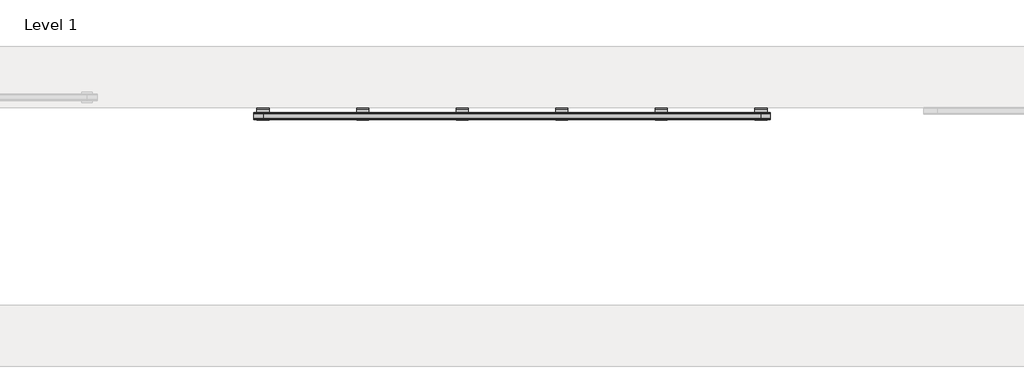
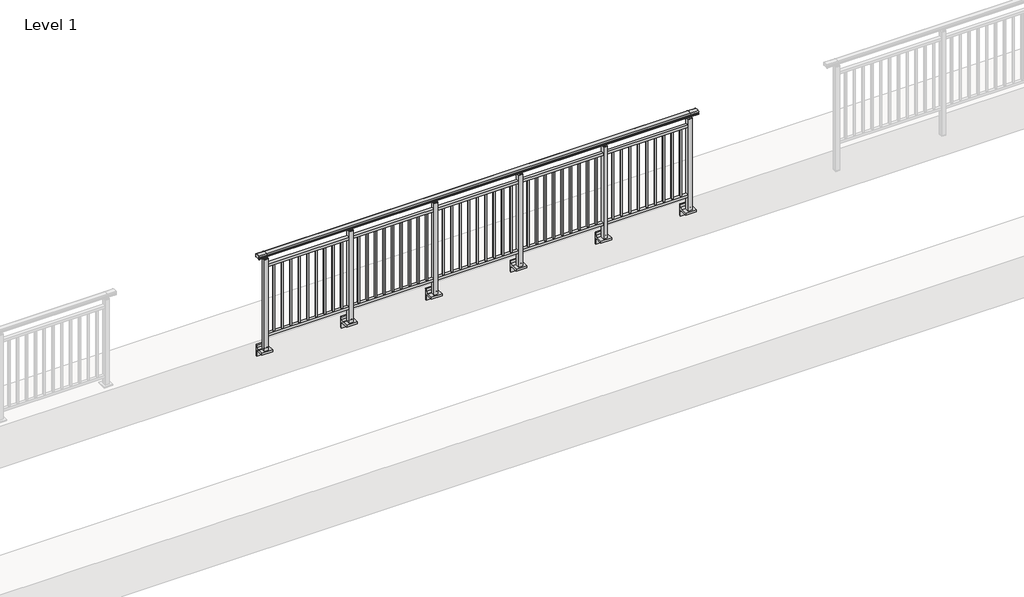
# One storey, part 11 of 64: 1 railing.
"""IFC4 building model written with IfcOpenShell, lengths in millimetres."""

from ifc_helpers import new_model, si_unit, point, frame, frame_2d, origin, place, context, project, spatial, polyline, circle_curve, trimmed, segment, composite_curve, outline, extrude, element, save
from ifc_brep_helpers import plane_surface, cylinder_surface, revolved_surface, advanced_brep

model = new_model("IFC4")

# Units and contexts
model_context = context("Model", 3, world=origin())
ifc_project = project(units=[si_unit("LENGTHUNIT", "METRE", prefix="MILLI")], contexts=[model_context])

# Site, building, storey
site = spatial("IfcSite", under=ifc_project)
building = spatial("IfcBuilding", under=site)
storey = spatial("IfcBuildingStorey", under=building, Name="Level 1", Elevation=0.0)

# Railing
placement = place(None, origin())
element("IfcRailing", 1, at=placement, inside=storey, context=model_context, shape_type="SolidModel", body=[
    advanced_brep(
    [(12910.0, 2342.8633756, 1095.6691182), (12910.0, 2347.6846828, 1081.1334092), (12910.0, 2346.7413744, 1069.2539035), (12910.0, 2348.6364177, 1061.4863007), (12910.0, 2346.9894799, 1060.384124), (12910.0, 2346.9894799, 1062.0), (12910.0, 2288.3798858, 1062.0), (12910.0, 2288.3798858, 1060.384124), (12910.0, 2286.732948, 1061.4863007), (12910.0, 2288.6279912, 1069.2539035), (12910.0, 2287.6846828, 1081.1334092), (12910.0, 2292.50599, 1095.6691182), (17890.0, 2342.8633756, 1095.6691182), (17890.0, 2292.50599, 1095.6691182), (17890.0, 2287.6846828, 1081.1334092), (17890.0, 2288.6279912, 1069.2539035), (17890.0, 2286.732948, 1061.4863007), (17890.0, 2288.3798858, 1060.384124), (17890.0, 2288.3798858, 1062.0), (17890.0, 2346.9894799, 1062.0), (17890.0, 2346.9894799, 1060.384124), (17890.0, 2348.6364177, 1061.4863007), (17890.0, 2346.7413744, 1069.2539035), (17890.0, 2347.6846828, 1081.1334092), (13000.0, 2342.8633756, 1095.6691182), (13000.0, 2347.6846828, 1081.1334092), (13000.0, 2346.7413744, 1069.2539035), (13000.0, 2348.6364177, 1061.4863007), (13000.0, 2346.9894799, 1060.384124), (13000.0, 2346.9894799, 1062.0), (13000.0, 2288.3798858, 1062.0), (13000.0, 2288.3798858, 1060.384124), (13000.0, 2286.732948, 1061.4863007), (13000.0, 2288.6279912, 1069.2539035), (13000.0, 2287.6846828, 1081.1334092), (13000.0, 2292.50599, 1095.6691182), (17800.0, 2342.8633756, 1095.6691182), (17800.0, 2347.6846828, 1081.1334092), (17800.0, 2346.7413744, 1069.2539035), (17800.0, 2348.6364177, 1061.4863007), (17800.0, 2346.9894799, 1060.384124), (17800.0, 2346.9894799, 1062.0), (17800.0, 2288.3798858, 1062.0), (17800.0, 2288.3798858, 1060.384124), (17800.0, 2286.732948, 1061.4863007), (17800.0, 2288.6279912, 1069.2539035), (17800.0, 2287.6846828, 1081.1334092), (17800.0, 2292.50599, 1095.6691182)],
    [
        (0, 1, circle_curve(frame((12910.0, 2339.6223845, 1086.526686), z_axis=(-1.0, 0.0, 0.0), x_axis=(0.0, -1.0, 0.0)), 9.6999015)),
        (1, 2, circle_curve(frame((12910.0, 2365.2252545, 1073.7633709), z_axis=(1.0, 0.0, 0.0), x_axis=(0.0, -1.0, 0.0)), 19.0260117)),
        (2, 3),
        (3, 4, circle_curve(frame((12910.0, 2347.7772073, 1060.9886194), z_axis=(-1.0, 0.0, 0.0), x_axis=(0.0, -1.0, 0.0)), 0.9929396)),
        (4, 5),
        (5, 6),
        (6, 7),
        (7, 8, circle_curve(frame((12910.0, 2287.5921584, 1060.9886194), z_axis=(-1.0, 0.0, 0.0), x_axis=(0.0, 1.0, 0.0)), 0.9929396)),
        (8, 9),
        (9, 10, circle_curve(frame((12910.0, 2270.1441111, 1073.7633709), z_axis=(1.0, 0.0, 0.0), x_axis=(0.0, 1.0, 0.0)), 19.0260117)),
        (10, 11, circle_curve(frame((12910.0, 2295.7469812, 1086.526686), z_axis=(-1.0, 0.0, 0.0), x_axis=(0.0, 1.0, 0.0)), 9.6999015)),
        (11, 0, circle_curve(frame((12910.0, 2317.6846828, 1024.6431628), z_axis=(-1.0, 0.0, 0.0), x_axis=(0.0, 1.0, 0.0)), 75.3568372)),
        (12, 13, circle_curve(frame((17890.0, 2317.6846828, 1024.6431628), z_axis=(1.0, 0.0, 0.0), x_axis=(0.0, 1.0, 0.0)), 75.3568372)),
        (13, 14, circle_curve(frame((17890.0, 2295.7469812, 1086.526686), z_axis=(1.0, 0.0, 0.0), x_axis=(0.0, 1.0, 0.0)), 9.6999015)),
        (14, 15, circle_curve(frame((17890.0, 2270.1441111, 1073.7633709), z_axis=(-1.0, 0.0, 0.0), x_axis=(0.0, 1.0, 0.0)), 19.0260117)),
        (15, 16),
        (16, 17, circle_curve(frame((17890.0, 2287.5921584, 1060.9886194), z_axis=(1.0, 0.0, 0.0), x_axis=(0.0, 1.0, 0.0)), 0.9929396)),
        (17, 18),
        (18, 19),
        (19, 20),
        (20, 21, circle_curve(frame((17890.0, 2347.7772073, 1060.9886194), z_axis=(1.0, 0.0, 0.0), x_axis=(0.0, -1.0, 0.0)), 0.9929396)),
        (21, 22),
        (22, 23, circle_curve(frame((17890.0, 2365.2252545, 1073.7633709), z_axis=(-1.0, 0.0, 0.0), x_axis=(0.0, -1.0, 0.0)), 19.0260117)),
        (23, 12, circle_curve(frame((17890.0, 2339.6223845, 1086.526686), z_axis=(1.0, 0.0, 0.0), x_axis=(0.0, -1.0, 0.0)), 9.6999015)),
        (0, 24),
        (24, 25, circle_curve(frame((13000.0, 2339.6223845, 1086.526686), z_axis=(-1.0, 0.0, 0.0), x_axis=(0.0, -1.0, 0.0)), 9.6999015)),
        (25, 1),
        (25, 26, circle_curve(frame((13000.0, 2365.2252545, 1073.7633709), z_axis=(1.0, 0.0, 0.0), x_axis=(0.0, -1.0, 0.0)), 19.0260117)),
        (26, 2),
        (26, 27),
        (27, 3),
        (27, 28, circle_curve(frame((13000.0, 2347.7772073, 1060.9886194), z_axis=(-1.0, 0.0, 0.0), x_axis=(0.0, -1.0, 0.0)), 0.9929396)),
        (28, 4),
        (28, 29),
        (29, 5),
        (29, 30),
        (30, 6),
        (30, 31),
        (31, 7),
        (31, 32, circle_curve(frame((13000.0, 2287.5921584, 1060.9886194), z_axis=(-1.0, 0.0, 0.0), x_axis=(0.0, 1.0, 0.0)), 0.9929396)),
        (32, 8),
        (32, 33),
        (33, 9),
        (33, 34, circle_curve(frame((13000.0, 2270.1441111, 1073.7633709), z_axis=(1.0, 0.0, 0.0), x_axis=(0.0, 1.0, 0.0)), 19.0260117)),
        (34, 10),
        (34, 35, circle_curve(frame((13000.0, 2295.7469812, 1086.526686), z_axis=(-1.0, 0.0, 0.0), x_axis=(0.0, 1.0, 0.0)), 9.6999015)),
        (35, 11),
        (35, 24, circle_curve(frame((13000.0, 2317.6846828, 1024.6431628), z_axis=(-1.0, 0.0, 0.0), x_axis=(0.0, 1.0, 0.0)), 75.3568372)),
        (24, 36),
        (36, 37, circle_curve(frame((17800.0, 2339.6223845, 1086.526686), z_axis=(-1.0, 0.0, 0.0), x_axis=(0.0, -1.0, 0.0)), 9.6999015)),
        (37, 25),
        (37, 38, circle_curve(frame((17800.0, 2365.2252545, 1073.7633709), z_axis=(1.0, 0.0, 0.0), x_axis=(0.0, -1.0, 0.0)), 19.0260117)),
        (38, 26),
        (38, 39),
        (39, 27),
        (39, 40, circle_curve(frame((17800.0, 2347.7772073, 1060.9886194), z_axis=(-1.0, 0.0, 0.0), x_axis=(0.0, -1.0, 0.0)), 0.9929396)),
        (40, 28),
        (40, 41),
        (41, 29),
        (41, 42),
        (42, 30),
        (42, 43),
        (43, 31),
        (43, 44, circle_curve(frame((17800.0, 2287.5921584, 1060.9886194), z_axis=(-1.0, 0.0, 0.0), x_axis=(0.0, 1.0, 0.0)), 0.9929396)),
        (44, 32),
        (44, 45),
        (45, 33),
        (45, 46, circle_curve(frame((17800.0, 2270.1441111, 1073.7633709), z_axis=(1.0, 0.0, 0.0), x_axis=(0.0, 1.0, 0.0)), 19.0260117)),
        (46, 34),
        (46, 47, circle_curve(frame((17800.0, 2295.7469812, 1086.526686), z_axis=(-1.0, 0.0, 0.0), x_axis=(0.0, 1.0, 0.0)), 9.6999015)),
        (47, 35),
        (47, 36, circle_curve(frame((17800.0, 2317.6846828, 1024.6431628), z_axis=(-1.0, 0.0, 0.0), x_axis=(0.0, 1.0, 0.0)), 75.3568372)),
        (36, 12),
        (23, 37),
        (22, 38),
        (21, 39),
        (20, 40),
        (19, 41),
        (18, 42),
        (17, 43),
        (16, 44),
        (15, 45),
        (14, 46),
        (13, 47),
    ],
    [
        plane_surface(frame((12910.0, 2317.6846828, 1100.0), z_axis=(-1.0, 0.0, 0.0), x_axis=(0.0, 1.0, 0.0))),
        plane_surface(frame((17890.0, 2317.6846828, 1100.0), z_axis=(1.0, 0.0, 0.0), x_axis=(0.0, 1.0, 0.0))),
        cylinder_surface(frame((12910.0, 2339.6223845, 1086.526686), z_axis=(-1.0, 0.0, 0.0), x_axis=(0.0, -1.0, 0.0)), 9.6999015),
        revolved_surface(polyline([(13000.0, 2346.1992428000003, 1073.7633709), (12910.0, 2346.1992428000003, 1073.7633709)]), (12910.0, 2365.2252545, 1073.7633709), (1.0, 0.0, 0.0)),
        plane_surface(frame((12910.0, 2346.7413744, 1069.2539035), z_axis=(0.0, 0.9715057689301543, 0.2370159086125439), x_axis=(1.0, 0.0, 0.0))),
        cylinder_surface(frame((12910.0, 2347.7772073, 1060.9886194), z_axis=(-1.0, 0.0, 0.0), x_axis=(0.0, -1.0, 0.0)), 0.9929396),
        plane_surface(frame((12910.0, 2346.9894799, 1060.384124), z_axis=(0.0, -1.0, 0.0), x_axis=(1.0, 0.0, 0.0))),
        plane_surface(frame((12910.0, 2346.9894799, 1062.0), z_axis=(0.0, 0.0, -1.0), x_axis=(1.0, 0.0, 0.0))),
        plane_surface(frame((12910.0, 2288.3798858, 1062.0), z_axis=(0.0, 1.0, 0.0), x_axis=(1.0, 0.0, 0.0))),
        cylinder_surface(frame((12910.0, 2287.5921584, 1060.9886194), z_axis=(-1.0, 0.0, 0.0), x_axis=(0.0, 1.0, 0.0)), 0.9929396),
        plane_surface(frame((12910.0, 2286.732948, 1061.4863007), z_axis=(0.0, -0.9715057689301543, 0.2370159086125439), x_axis=(1.0, 0.0, 0.0))),
        revolved_surface(polyline([(13000.0, 2289.1701227999997, 1073.7633709), (12910.0, 2289.1701227999997, 1073.7633709)]), (12910.0, 2270.1441111, 1073.7633709), (1.0, 0.0, 0.0)),
        cylinder_surface(frame((12910.0, 2295.7469812, 1086.526686), z_axis=(-1.0, 0.0, 0.0), x_axis=(0.0, 1.0, 0.0)), 9.6999015),
        cylinder_surface(frame((12910.0, 2317.6846828, 1024.6431628), z_axis=(-1.0, 0.0, 0.0), x_axis=(0.0, 1.0, 0.0)), 75.3568372),
        cylinder_surface(frame((13000.0, 2339.6223845, 1086.526686), z_axis=(-1.0, 0.0, 0.0), x_axis=(0.0, -1.0, 0.0)), 9.6999015),
        revolved_surface(polyline([(17800.0, 2346.1992428000003, 1073.7633709), (13000.0, 2346.1992428000003, 1073.7633709)]), (13000.0, 2365.2252545, 1073.7633709), (1.0, 0.0, 0.0)),
        plane_surface(frame((13000.0, 2346.7413744, 1069.2539035), z_axis=(0.0, 0.9715057689301543, 0.2370159086125439), x_axis=(1.0, 0.0, 0.0))),
        cylinder_surface(frame((13000.0, 2347.7772073, 1060.9886194), z_axis=(-1.0, 0.0, 0.0), x_axis=(0.0, -1.0, 0.0)), 0.9929396),
        plane_surface(frame((13000.0, 2346.9894799, 1060.384124), z_axis=(0.0, -1.0, 0.0), x_axis=(1.0, 0.0, 0.0))),
        plane_surface(frame((13000.0, 2346.9894799, 1062.0), z_axis=(0.0, 0.0, -1.0), x_axis=(1.0, 0.0, 0.0))),
        plane_surface(frame((13000.0, 2288.3798858, 1062.0), z_axis=(0.0, 1.0, 0.0), x_axis=(1.0, 0.0, 0.0))),
        cylinder_surface(frame((13000.0, 2287.5921584, 1060.9886194), z_axis=(-1.0, 0.0, 0.0), x_axis=(0.0, 1.0, 0.0)), 0.9929396),
        plane_surface(frame((13000.0, 2286.732948, 1061.4863007), z_axis=(0.0, -0.9715057689301543, 0.2370159086125439), x_axis=(1.0, 0.0, 0.0))),
        revolved_surface(polyline([(17800.0, 2289.1701227999997, 1073.7633709), (13000.0, 2289.1701227999997, 1073.7633709)]), (13000.0, 2270.1441111, 1073.7633709), (1.0, 0.0, 0.0)),
        cylinder_surface(frame((13000.0, 2295.7469812, 1086.526686), z_axis=(-1.0, 0.0, 0.0), x_axis=(0.0, 1.0, 0.0)), 9.6999015),
        cylinder_surface(frame((13000.0, 2317.6846828, 1024.6431628), z_axis=(-1.0, 0.0, 0.0), x_axis=(0.0, 1.0, 0.0)), 75.3568372),
        cylinder_surface(frame((17800.0, 2339.6223845, 1086.526686), z_axis=(-1.0, 0.0, 0.0), x_axis=(0.0, -1.0, 0.0)), 9.6999015),
        revolved_surface(polyline([(17890.0, 2346.1992428000003, 1073.7633709), (17800.0, 2346.1992428000003, 1073.7633709)]), (17800.0, 2365.2252545, 1073.7633709), (1.0, 0.0, 0.0)),
        plane_surface(frame((17800.0, 2346.7413744, 1069.2539035), z_axis=(0.0, 0.9715057689301543, 0.2370159086125439), x_axis=(1.0, 0.0, 0.0))),
        cylinder_surface(frame((17800.0, 2347.7772073, 1060.9886194), z_axis=(-1.0, 0.0, 0.0), x_axis=(0.0, -1.0, 0.0)), 0.9929396),
        plane_surface(frame((17800.0, 2346.9894799, 1060.384124), z_axis=(0.0, -1.0, 0.0), x_axis=(1.0, 0.0, 0.0))),
        plane_surface(frame((17800.0, 2346.9894799, 1062.0), z_axis=(0.0, 0.0, -1.0), x_axis=(1.0, 0.0, 0.0))),
        plane_surface(frame((17800.0, 2288.3798858, 1062.0), z_axis=(0.0, 1.0, 0.0), x_axis=(1.0, 0.0, 0.0))),
        cylinder_surface(frame((17800.0, 2287.5921584, 1060.9886194), z_axis=(-1.0, 0.0, 0.0), x_axis=(0.0, 1.0, 0.0)), 0.9929396),
        plane_surface(frame((17800.0, 2286.732948, 1061.4863007), z_axis=(0.0, -0.9715057689301543, 0.2370159086125439), x_axis=(1.0, 0.0, 0.0))),
        revolved_surface(polyline([(17890.0, 2289.1701227999997, 1073.7633709), (17800.0, 2289.1701227999997, 1073.7633709)]), (17800.0, 2270.1441111, 1073.7633709), (1.0, 0.0, 0.0)),
        cylinder_surface(frame((17800.0, 2295.7469812, 1086.526686), z_axis=(-1.0, 0.0, 0.0), x_axis=(0.0, 1.0, 0.0)), 9.6999015),
        cylinder_surface(frame((17800.0, 2317.6846828, 1024.6431628), z_axis=(-1.0, 0.0, 0.0), x_axis=(0.0, 1.0, 0.0)), 75.3568372),
    ],
    [
        (0, [[1, 2, 3, 4, 5, 6, 7, 8, 9, 10, 11, 12]]),
        (1, [[13, 14, 15, 16, 17, 18, 19, 20, 21, 22, 23, 24]]),
        (2, [[-1, 25, 26, 27]]),
        (3, [[-2, -27, 28, 29]]),
        (4, [[-3, -29, 30, 31]]),
        (5, [[-4, -31, 32, 33]]),
        (6, [[-5, -33, 34, 35]]),
        (7, [[-6, -35, 36, 37]]),
        (8, [[-7, -37, 38, 39]]),
        (9, [[-8, -39, 40, 41]]),
        (10, [[-9, -41, 42, 43]]),
        (11, [[-10, -43, 44, 45]]),
        (12, [[-11, -45, 46, 47]]),
        (13, [[-12, -47, 48, -25]]),
        (14, [[-26, 49, 50, 51]]),
        (15, [[-28, -51, 52, 53]]),
        (16, [[-30, -53, 54, 55]]),
        (17, [[-32, -55, 56, 57]]),
        (18, [[-34, -57, 58, 59]]),
        (19, [[-36, -59, 60, 61]]),
        (20, [[-38, -61, 62, 63]]),
        (21, [[-40, -63, 64, 65]]),
        (22, [[-42, -65, 66, 67]]),
        (23, [[-44, -67, 68, 69]]),
        (24, [[-46, -69, 70, 71]]),
        (25, [[-48, -71, 72, -49]]),
        (26, [[-50, 73, -24, 74]]),
        (27, [[-52, -74, -23, 75]]),
        (28, [[-54, -75, -22, 76]]),
        (29, [[-56, -76, -21, 77]]),
        (30, [[-58, -77, -20, 78]]),
        (31, [[-60, -78, -19, 79]]),
        (32, [[-62, -79, -18, 80]]),
        (33, [[-64, -80, -17, 81]]),
        (34, [[-66, -81, -16, 82]]),
        (35, [[-68, -82, -15, 83]]),
        (36, [[-70, -83, -14, 84]]),
        (37, [[-72, -84, -13, -73]]),
    ],
),
    extrude(outline(polyline([(13000.0, 2300.1846828), (13000.0, 2335.1846828), (17800.0, 2335.1846828), (17800.0, 2300.1846828), (13000.0, 2300.1846828)])), frame((0.0, 0.0, 930.0), z_axis=(0.0, 0.0, 1.0), x_axis=(1.0, 0.0, 0.0)), (0.0, 0.0, 1.0), 30.0),
    extrude(outline(polyline([(13000.0, 2300.1846828), (13000.0, 2335.1846828), (17800.0, 2335.1846828), (17800.0, 2300.1846828), (13000.0, 2300.1846828)])), frame((0.0, 0.0, 95.0), z_axis=(0.0, 0.0, 1.0), x_axis=(1.0, 0.0, 0.0)), (0.0, 0.0, 1.0), 30.0),
    extrude(outline(polyline([(17712.5, 2309.1846828), (17695.5, 2309.1846828), (17695.5, 2326.1846828), (17712.5, 2326.1846828), (17712.5, 2309.1846828)])), frame((0.0, 0.0, 125.0), z_axis=(0.0, 0.0, 1.0), x_axis=(1.0, 0.0, 0.0)), (0.0, 0.0, 1.0), 805.0),
    extrude(outline(polyline([(17616.5, 2309.1846828), (17599.5, 2309.1846828), (17599.5, 2326.1846828), (17616.5, 2326.1846828), (17616.5, 2309.1846828)])), frame((0.0, 0.0, 125.0), z_axis=(0.0, 0.0, 1.0), x_axis=(1.0, 0.0, 0.0)), (0.0, 0.0, 1.0), 805.0),
    extrude(outline(polyline([(17520.5, 2309.1846828), (17503.5, 2309.1846828), (17503.5, 2326.1846828), (17520.5, 2326.1846828), (17520.5, 2309.1846828)])), frame((0.0, 0.0, 125.0), z_axis=(0.0, 0.0, 1.0), x_axis=(1.0, 0.0, 0.0)), (0.0, 0.0, 1.0), 805.0),
    extrude(outline(polyline([(17424.5, 2309.1846828), (17407.5, 2309.1846828), (17407.5, 2326.1846828), (17424.5, 2326.1846828), (17424.5, 2309.1846828)])), frame((0.0, 0.0, 125.0), z_axis=(0.0, 0.0, 1.0), x_axis=(1.0, 0.0, 0.0)), (0.0, 0.0, 1.0), 805.0),
    extrude(outline(polyline([(17328.5, 2309.1846828), (17311.5, 2309.1846828), (17311.5, 2326.1846828), (17328.5, 2326.1846828), (17328.5, 2309.1846828)])), frame((0.0, 0.0, 125.0), z_axis=(0.0, 0.0, 1.0), x_axis=(1.0, 0.0, 0.0)), (0.0, 0.0, 1.0), 805.0),
    extrude(outline(polyline([(17232.5, 2309.1846828), (17215.5, 2309.1846828), (17215.5, 2326.1846828), (17232.5, 2326.1846828), (17232.5, 2309.1846828)])), frame((0.0, 0.0, 125.0), z_axis=(0.0, 0.0, 1.0), x_axis=(1.0, 0.0, 0.0)), (0.0, 0.0, 1.0), 805.0),
    extrude(outline(polyline([(17136.5, 2309.1846828), (17119.5, 2309.1846828), (17119.5, 2326.1846828), (17136.5, 2326.1846828), (17136.5, 2309.1846828)])), frame((0.0, 0.0, 125.0), z_axis=(0.0, 0.0, 1.0), x_axis=(1.0, 0.0, 0.0)), (0.0, 0.0, 1.0), 805.0),
    extrude(outline(polyline([(17040.5, 2309.1846828), (17023.5, 2309.1846828), (17023.5, 2326.1846828), (17040.5, 2326.1846828), (17040.5, 2309.1846828)])), frame((0.0, 0.0, 125.0), z_axis=(0.0, 0.0, 1.0), x_axis=(1.0, 0.0, 0.0)), (0.0, 0.0, 1.0), 805.0),
    extrude(outline(polyline([(16944.5, 2309.1846828), (16927.5, 2309.1846828), (16927.5, 2326.1846828), (16944.5, 2326.1846828), (16944.5, 2309.1846828)])), frame((0.0, 0.0, 125.0), z_axis=(0.0, 0.0, 1.0), x_axis=(1.0, 0.0, 0.0)), (0.0, 0.0, 1.0), 805.0),
    extrude(outline(composite_curve([segment(polyline([(2350.1846828, -70.0), (2384.1846828, -63.0), (2384.1846828, -32.5), (2400.1846828, -32.5), (2400.1846828, -167.5), (2384.1846828, -167.5), (2384.1846828, -113.5)]), True, "CONTINUOUS"), segment(trimmed(circle_curve(frame_2d((2364.1846828, -113.5)), 20.0), [point((2384.1846828, -113.5))], [point((2364.1846828, -93.5))], True, "CARTESIAN"), True, "CONTINUOUS"), segment(polyline([(2364.1846828, -93.5), (2280.1846828, -93.5), (2280.1846828, -70.0), (2350.1846828, -70.0)]), True, "CONTINUOUS")], self_intersect=False)), frame((16780.0, 0.0, 0.0), z_axis=(1.0, 0.0, 0.0), x_axis=(0.0, 1.0, 0.0)), (0.0, 0.0, 1.0), 120.0),
    extrude(outline(polyline([(16862.5, 2340.1846828), (16862.5, 2295.1846828), (16817.5, 2295.1846828), (16817.5, 2340.1846828), (16862.5, 2340.1846828)])), frame((0.0, 0.0, -70.0), z_axis=(0.0, 0.0, 1.0), x_axis=(1.0, 0.0, 0.0)), (0.0, 0.0, 1.0), 1097.0),
    extrude(outline(polyline([(16850.0, 2327.6846828), (16850.0, 2307.6846828), (16830.0, 2307.6846828), (16830.0, 2327.6846828), (16850.0, 2327.6846828)])), frame((0.0, 0.0, 1035.0), z_axis=(0.0, 0.0, 1.0), x_axis=(1.0, 0.0, 0.0)), (0.0, 0.0, 1.0), 20.0),
    extrude(outline(polyline([(16862.5, 2340.1846828), (16862.5, 2295.1846828), (16817.5, 2295.1846828), (16817.5, 2340.1846828), (16862.5, 2340.1846828)])), frame((0.0, 0.0, 1027.0), z_axis=(0.0, 0.0, 1.0), x_axis=(1.0, 0.0, 0.0)), (0.0, 0.0, 1.0), 8.0),
    extrude(outline(polyline([(16752.5, 2309.1846828), (16735.5, 2309.1846828), (16735.5, 2326.1846828), (16752.5, 2326.1846828), (16752.5, 2309.1846828)])), frame((0.0, 0.0, 125.0), z_axis=(0.0, 0.0, 1.0), x_axis=(1.0, 0.0, 0.0)), (0.0, 0.0, 1.0), 805.0),
    extrude(outline(polyline([(16656.5, 2309.1846828), (16639.5, 2309.1846828), (16639.5, 2326.1846828), (16656.5, 2326.1846828), (16656.5, 2309.1846828)])), frame((0.0, 0.0, 125.0), z_axis=(0.0, 0.0, 1.0), x_axis=(1.0, 0.0, 0.0)), (0.0, 0.0, 1.0), 805.0),
    extrude(outline(polyline([(16560.5, 2309.1846828), (16543.5, 2309.1846828), (16543.5, 2326.1846828), (16560.5, 2326.1846828), (16560.5, 2309.1846828)])), frame((0.0, 0.0, 125.0), z_axis=(0.0, 0.0, 1.0), x_axis=(1.0, 0.0, 0.0)), (0.0, 0.0, 1.0), 805.0),
    extrude(outline(polyline([(16464.5, 2309.1846828), (16447.5, 2309.1846828), (16447.5, 2326.1846828), (16464.5, 2326.1846828), (16464.5, 2309.1846828)])), frame((0.0, 0.0, 125.0), z_axis=(0.0, 0.0, 1.0), x_axis=(1.0, 0.0, 0.0)), (0.0, 0.0, 1.0), 805.0),
    extrude(outline(polyline([(16368.5, 2309.1846828), (16351.5, 2309.1846828), (16351.5, 2326.1846828), (16368.5, 2326.1846828), (16368.5, 2309.1846828)])), frame((0.0, 0.0, 125.0), z_axis=(0.0, 0.0, 1.0), x_axis=(1.0, 0.0, 0.0)), (0.0, 0.0, 1.0), 805.0),
    extrude(outline(polyline([(16272.5, 2309.1846828), (16255.5, 2309.1846828), (16255.5, 2326.1846828), (16272.5, 2326.1846828), (16272.5, 2309.1846828)])), frame((0.0, 0.0, 125.0), z_axis=(0.0, 0.0, 1.0), x_axis=(1.0, 0.0, 0.0)), (0.0, 0.0, 1.0), 805.0),
    extrude(outline(polyline([(16176.5, 2309.1846828), (16159.5, 2309.1846828), (16159.5, 2326.1846828), (16176.5, 2326.1846828), (16176.5, 2309.1846828)])), frame((0.0, 0.0, 125.0), z_axis=(0.0, 0.0, 1.0), x_axis=(1.0, 0.0, 0.0)), (0.0, 0.0, 1.0), 805.0),
    extrude(outline(polyline([(16080.5, 2309.1846828), (16063.5, 2309.1846828), (16063.5, 2326.1846828), (16080.5, 2326.1846828), (16080.5, 2309.1846828)])), frame((0.0, 0.0, 125.0), z_axis=(0.0, 0.0, 1.0), x_axis=(1.0, 0.0, 0.0)), (0.0, 0.0, 1.0), 805.0),
    extrude(outline(polyline([(15984.5, 2309.1846828), (15967.5, 2309.1846828), (15967.5, 2326.1846828), (15984.5, 2326.1846828), (15984.5, 2309.1846828)])), frame((0.0, 0.0, 125.0), z_axis=(0.0, 0.0, 1.0), x_axis=(1.0, 0.0, 0.0)), (0.0, 0.0, 1.0), 805.0),
    extrude(outline(composite_curve([segment(polyline([(2350.1846828, -70.0), (2384.1846828, -63.0), (2384.1846828, -32.5), (2400.1846828, -32.5), (2400.1846828, -167.5), (2384.1846828, -167.5), (2384.1846828, -113.5)]), True, "CONTINUOUS"), segment(trimmed(circle_curve(frame_2d((2364.1846828, -113.5)), 20.0), [point((2384.1846828, -113.5))], [point((2364.1846828, -93.5))], True, "CARTESIAN"), True, "CONTINUOUS"), segment(polyline([(2364.1846828, -93.5), (2280.1846828, -93.5), (2280.1846828, -70.0), (2350.1846828, -70.0)]), True, "CONTINUOUS")], self_intersect=False)), frame((15820.0, 0.0, 0.0), z_axis=(1.0, 0.0, 0.0), x_axis=(0.0, 1.0, 0.0)), (0.0, 0.0, 1.0), 120.0),
    extrude(outline(polyline([(15902.5, 2340.1846828), (15902.5, 2295.1846828), (15857.5, 2295.1846828), (15857.5, 2340.1846828), (15902.5, 2340.1846828)])), frame((0.0, 0.0, -70.0), z_axis=(0.0, 0.0, 1.0), x_axis=(1.0, 0.0, 0.0)), (0.0, 0.0, 1.0), 1097.0),
    extrude(outline(polyline([(15890.0, 2327.6846828), (15890.0, 2307.6846828), (15870.0, 2307.6846828), (15870.0, 2327.6846828), (15890.0, 2327.6846828)])), frame((0.0, 0.0, 1035.0), z_axis=(0.0, 0.0, 1.0), x_axis=(1.0, 0.0, 0.0)), (0.0, 0.0, 1.0), 20.0),
    extrude(outline(polyline([(15902.5, 2340.1846828), (15902.5, 2295.1846828), (15857.5, 2295.1846828), (15857.5, 2340.1846828), (15902.5, 2340.1846828)])), frame((0.0, 0.0, 1027.0), z_axis=(0.0, 0.0, 1.0), x_axis=(1.0, 0.0, 0.0)), (0.0, 0.0, 1.0), 8.0),
    extrude(outline(polyline([(15792.5, 2309.1846828), (15775.5, 2309.1846828), (15775.5, 2326.1846828), (15792.5, 2326.1846828), (15792.5, 2309.1846828)])), frame((0.0, 0.0, 125.0), z_axis=(0.0, 0.0, 1.0), x_axis=(1.0, 0.0, 0.0)), (0.0, 0.0, 1.0), 805.0),
    extrude(outline(polyline([(15696.5, 2309.1846828), (15679.5, 2309.1846828), (15679.5, 2326.1846828), (15696.5, 2326.1846828), (15696.5, 2309.1846828)])), frame((0.0, 0.0, 125.0), z_axis=(0.0, 0.0, 1.0), x_axis=(1.0, 0.0, 0.0)), (0.0, 0.0, 1.0), 805.0),
    extrude(outline(polyline([(15600.5, 2309.1846828), (15583.5, 2309.1846828), (15583.5, 2326.1846828), (15600.5, 2326.1846828), (15600.5, 2309.1846828)])), frame((0.0, 0.0, 125.0), z_axis=(0.0, 0.0, 1.0), x_axis=(1.0, 0.0, 0.0)), (0.0, 0.0, 1.0), 805.0),
    extrude(outline(polyline([(15504.5, 2309.1846828), (15487.5, 2309.1846828), (15487.5, 2326.1846828), (15504.5, 2326.1846828), (15504.5, 2309.1846828)])), frame((0.0, 0.0, 125.0), z_axis=(0.0, 0.0, 1.0), x_axis=(1.0, 0.0, 0.0)), (0.0, 0.0, 1.0), 805.0),
    extrude(outline(polyline([(15408.5, 2309.1846828), (15391.5, 2309.1846828), (15391.5, 2326.1846828), (15408.5, 2326.1846828), (15408.5, 2309.1846828)])), frame((0.0, 0.0, 125.0), z_axis=(0.0, 0.0, 1.0), x_axis=(1.0, 0.0, 0.0)), (0.0, 0.0, 1.0), 805.0),
    extrude(outline(polyline([(15312.5, 2309.1846828), (15295.5, 2309.1846828), (15295.5, 2326.1846828), (15312.5, 2326.1846828), (15312.5, 2309.1846828)])), frame((0.0, 0.0, 125.0), z_axis=(0.0, 0.0, 1.0), x_axis=(1.0, 0.0, 0.0)), (0.0, 0.0, 1.0), 805.0),
    extrude(outline(polyline([(15216.5, 2309.1846828), (15199.5, 2309.1846828), (15199.5, 2326.1846828), (15216.5, 2326.1846828), (15216.5, 2309.1846828)])), frame((0.0, 0.0, 125.0), z_axis=(0.0, 0.0, 1.0), x_axis=(1.0, 0.0, 0.0)), (0.0, 0.0, 1.0), 805.0),
    extrude(outline(polyline([(15120.5, 2309.1846828), (15103.5, 2309.1846828), (15103.5, 2326.1846828), (15120.5, 2326.1846828), (15120.5, 2309.1846828)])), frame((0.0, 0.0, 125.0), z_axis=(0.0, 0.0, 1.0), x_axis=(1.0, 0.0, 0.0)), (0.0, 0.0, 1.0), 805.0),
    extrude(outline(polyline([(15024.5, 2309.1846828), (15007.5, 2309.1846828), (15007.5, 2326.1846828), (15024.5, 2326.1846828), (15024.5, 2309.1846828)])), frame((0.0, 0.0, 125.0), z_axis=(0.0, 0.0, 1.0), x_axis=(1.0, 0.0, 0.0)), (0.0, 0.0, 1.0), 805.0),
    extrude(outline(composite_curve([segment(polyline([(2350.1846828, -70.0), (2384.1846828, -63.0), (2384.1846828, -32.5), (2400.1846828, -32.5), (2400.1846828, -167.5), (2384.1846828, -167.5), (2384.1846828, -113.5)]), True, "CONTINUOUS"), segment(trimmed(circle_curve(frame_2d((2364.1846828, -113.5)), 20.0), [point((2384.1846828, -113.5))], [point((2364.1846828, -93.5))], True, "CARTESIAN"), True, "CONTINUOUS"), segment(polyline([(2364.1846828, -93.5), (2280.1846828, -93.5), (2280.1846828, -70.0), (2350.1846828, -70.0)]), True, "CONTINUOUS")], self_intersect=False)), frame((14860.0, 0.0, 0.0), z_axis=(1.0, 0.0, 0.0), x_axis=(0.0, 1.0, 0.0)), (0.0, 0.0, 1.0), 120.0),
    extrude(outline(polyline([(14942.5, 2340.1846828), (14942.5, 2295.1846828), (14897.5, 2295.1846828), (14897.5, 2340.1846828), (14942.5, 2340.1846828)])), frame((0.0, 0.0, -70.0), z_axis=(0.0, 0.0, 1.0), x_axis=(1.0, 0.0, 0.0)), (0.0, 0.0, 1.0), 1097.0),
    extrude(outline(polyline([(14930.0, 2327.6846828), (14930.0, 2307.6846828), (14910.0, 2307.6846828), (14910.0, 2327.6846828), (14930.0, 2327.6846828)])), frame((0.0, 0.0, 1035.0), z_axis=(0.0, 0.0, 1.0), x_axis=(1.0, 0.0, 0.0)), (0.0, 0.0, 1.0), 20.0),
    extrude(outline(polyline([(14942.5, 2340.1846828), (14942.5, 2295.1846828), (14897.5, 2295.1846828), (14897.5, 2340.1846828), (14942.5, 2340.1846828)])), frame((0.0, 0.0, 1027.0), z_axis=(0.0, 0.0, 1.0), x_axis=(1.0, 0.0, 0.0)), (0.0, 0.0, 1.0), 8.0),
    extrude(outline(polyline([(14832.5, 2309.1846828), (14815.5, 2309.1846828), (14815.5, 2326.1846828), (14832.5, 2326.1846828), (14832.5, 2309.1846828)])), frame((0.0, 0.0, 125.0), z_axis=(0.0, 0.0, 1.0), x_axis=(1.0, 0.0, 0.0)), (0.0, 0.0, 1.0), 805.0),
    extrude(outline(polyline([(14736.5, 2309.1846828), (14719.5, 2309.1846828), (14719.5, 2326.1846828), (14736.5, 2326.1846828), (14736.5, 2309.1846828)])), frame((0.0, 0.0, 125.0), z_axis=(0.0, 0.0, 1.0), x_axis=(1.0, 0.0, 0.0)), (0.0, 0.0, 1.0), 805.0),
    extrude(outline(polyline([(14640.5, 2309.1846828), (14623.5, 2309.1846828), (14623.5, 2326.1846828), (14640.5, 2326.1846828), (14640.5, 2309.1846828)])), frame((0.0, 0.0, 125.0), z_axis=(0.0, 0.0, 1.0), x_axis=(1.0, 0.0, 0.0)), (0.0, 0.0, 1.0), 805.0),
    extrude(outline(polyline([(14544.5, 2309.1846828), (14527.5, 2309.1846828), (14527.5, 2326.1846828), (14544.5, 2326.1846828), (14544.5, 2309.1846828)])), frame((0.0, 0.0, 125.0), z_axis=(0.0, 0.0, 1.0), x_axis=(1.0, 0.0, 0.0)), (0.0, 0.0, 1.0), 805.0),
    extrude(outline(polyline([(14448.5, 2309.1846828), (14431.5, 2309.1846828), (14431.5, 2326.1846828), (14448.5, 2326.1846828), (14448.5, 2309.1846828)])), frame((0.0, 0.0, 125.0), z_axis=(0.0, 0.0, 1.0), x_axis=(1.0, 0.0, 0.0)), (0.0, 0.0, 1.0), 805.0),
    extrude(outline(polyline([(14352.5, 2309.1846828), (14335.5, 2309.1846828), (14335.5, 2326.1846828), (14352.5, 2326.1846828), (14352.5, 2309.1846828)])), frame((0.0, 0.0, 125.0), z_axis=(0.0, 0.0, 1.0), x_axis=(1.0, 0.0, 0.0)), (0.0, 0.0, 1.0), 805.0),
    extrude(outline(polyline([(14256.5, 2309.1846828), (14239.5, 2309.1846828), (14239.5, 2326.1846828), (14256.5, 2326.1846828), (14256.5, 2309.1846828)])), frame((0.0, 0.0, 125.0), z_axis=(0.0, 0.0, 1.0), x_axis=(1.0, 0.0, 0.0)), (0.0, 0.0, 1.0), 805.0),
    extrude(outline(polyline([(14160.5, 2309.1846828), (14143.5, 2309.1846828), (14143.5, 2326.1846828), (14160.5, 2326.1846828), (14160.5, 2309.1846828)])), frame((0.0, 0.0, 125.0), z_axis=(0.0, 0.0, 1.0), x_axis=(1.0, 0.0, 0.0)), (0.0, 0.0, 1.0), 805.0),
    extrude(outline(polyline([(14064.5, 2309.1846828), (14047.5, 2309.1846828), (14047.5, 2326.1846828), (14064.5, 2326.1846828), (14064.5, 2309.1846828)])), frame((0.0, 0.0, 125.0), z_axis=(0.0, 0.0, 1.0), x_axis=(1.0, 0.0, 0.0)), (0.0, 0.0, 1.0), 805.0),
    extrude(outline(composite_curve([segment(polyline([(2350.1846828, -70.0), (2384.1846828, -63.0), (2384.1846828, -32.5), (2400.1846828, -32.5), (2400.1846828, -167.5), (2384.1846828, -167.5), (2384.1846828, -113.5)]), True, "CONTINUOUS"), segment(trimmed(circle_curve(frame_2d((2364.1846828, -113.5)), 20.0), [point((2384.1846828, -113.5))], [point((2364.1846828, -93.5))], True, "CARTESIAN"), True, "CONTINUOUS"), segment(polyline([(2364.1846828, -93.5), (2280.1846828, -93.5), (2280.1846828, -70.0), (2350.1846828, -70.0)]), True, "CONTINUOUS")], self_intersect=False)), frame((13900.0, 0.0, 0.0), z_axis=(1.0, 0.0, 0.0), x_axis=(0.0, 1.0, 0.0)), (0.0, 0.0, 1.0), 120.0),
    extrude(outline(polyline([(13982.5, 2340.1846828), (13982.5, 2295.1846828), (13937.5, 2295.1846828), (13937.5, 2340.1846828), (13982.5, 2340.1846828)])), frame((0.0, 0.0, -70.0), z_axis=(0.0, 0.0, 1.0), x_axis=(1.0, 0.0, 0.0)), (0.0, 0.0, 1.0), 1097.0),
    extrude(outline(polyline([(13970.0, 2327.6846828), (13970.0, 2307.6846828), (13950.0, 2307.6846828), (13950.0, 2327.6846828), (13970.0, 2327.6846828)])), frame((0.0, 0.0, 1035.0), z_axis=(0.0, 0.0, 1.0), x_axis=(1.0, 0.0, 0.0)), (0.0, 0.0, 1.0), 20.0),
    extrude(outline(polyline([(13982.5, 2340.1846828), (13982.5, 2295.1846828), (13937.5, 2295.1846828), (13937.5, 2340.1846828), (13982.5, 2340.1846828)])), frame((0.0, 0.0, 1027.0), z_axis=(0.0, 0.0, 1.0), x_axis=(1.0, 0.0, 0.0)), (0.0, 0.0, 1.0), 8.0),
    extrude(outline(polyline([(13872.5, 2309.1846828), (13855.5, 2309.1846828), (13855.5, 2326.1846828), (13872.5, 2326.1846828), (13872.5, 2309.1846828)])), frame((0.0, 0.0, 125.0), z_axis=(0.0, 0.0, 1.0), x_axis=(1.0, 0.0, 0.0)), (0.0, 0.0, 1.0), 805.0),
    extrude(outline(polyline([(13776.5, 2309.1846828), (13759.5, 2309.1846828), (13759.5, 2326.1846828), (13776.5, 2326.1846828), (13776.5, 2309.1846828)])), frame((0.0, 0.0, 125.0), z_axis=(0.0, 0.0, 1.0), x_axis=(1.0, 0.0, 0.0)), (0.0, 0.0, 1.0), 805.0),
    extrude(outline(polyline([(13680.5, 2309.1846828), (13663.5, 2309.1846828), (13663.5, 2326.1846828), (13680.5, 2326.1846828), (13680.5, 2309.1846828)])), frame((0.0, 0.0, 125.0), z_axis=(0.0, 0.0, 1.0), x_axis=(1.0, 0.0, 0.0)), (0.0, 0.0, 1.0), 805.0),
    extrude(outline(polyline([(13584.5, 2309.1846828), (13567.5, 2309.1846828), (13567.5, 2326.1846828), (13584.5, 2326.1846828), (13584.5, 2309.1846828)])), frame((0.0, 0.0, 125.0), z_axis=(0.0, 0.0, 1.0), x_axis=(1.0, 0.0, 0.0)), (0.0, 0.0, 1.0), 805.0),
    extrude(outline(polyline([(13488.5, 2309.1846828), (13471.5, 2309.1846828), (13471.5, 2326.1846828), (13488.5, 2326.1846828), (13488.5, 2309.1846828)])), frame((0.0, 0.0, 125.0), z_axis=(0.0, 0.0, 1.0), x_axis=(1.0, 0.0, 0.0)), (0.0, 0.0, 1.0), 805.0),
    extrude(outline(polyline([(13392.5, 2309.1846828), (13375.5, 2309.1846828), (13375.5, 2326.1846828), (13392.5, 2326.1846828), (13392.5, 2309.1846828)])), frame((0.0, 0.0, 125.0), z_axis=(0.0, 0.0, 1.0), x_axis=(1.0, 0.0, 0.0)), (0.0, 0.0, 1.0), 805.0),
    extrude(outline(polyline([(13296.5, 2309.1846828), (13279.5, 2309.1846828), (13279.5, 2326.1846828), (13296.5, 2326.1846828), (13296.5, 2309.1846828)])), frame((0.0, 0.0, 125.0), z_axis=(0.0, 0.0, 1.0), x_axis=(1.0, 0.0, 0.0)), (0.0, 0.0, 1.0), 805.0),
    extrude(outline(polyline([(13200.5, 2309.1846828), (13183.5, 2309.1846828), (13183.5, 2326.1846828), (13200.5, 2326.1846828), (13200.5, 2309.1846828)])), frame((0.0, 0.0, 125.0), z_axis=(0.0, 0.0, 1.0), x_axis=(1.0, 0.0, 0.0)), (0.0, 0.0, 1.0), 805.0),
    extrude(outline(polyline([(13104.5, 2309.1846828), (13087.5, 2309.1846828), (13087.5, 2326.1846828), (13104.5, 2326.1846828), (13104.5, 2309.1846828)])), frame((0.0, 0.0, 125.0), z_axis=(0.0, 0.0, 1.0), x_axis=(1.0, 0.0, 0.0)), (0.0, 0.0, 1.0), 805.0),
    extrude(outline(composite_curve([segment(polyline([(2350.1846828, -70.0), (2384.1846828, -63.0), (2384.1846828, -32.5), (2400.1846828, -32.5), (2400.1846828, -167.5), (2384.1846828, -167.5), (2384.1846828, -113.5)]), True, "CONTINUOUS"), segment(trimmed(circle_curve(frame_2d((2364.1846828, -113.5)), 20.0), [point((2384.1846828, -113.5))], [point((2364.1846828, -93.5))], True, "CARTESIAN"), True, "CONTINUOUS"), segment(polyline([(2364.1846828, -93.5), (2280.1846828, -93.5), (2280.1846828, -70.0), (2350.1846828, -70.0)]), True, "CONTINUOUS")], self_intersect=False)), frame((17740.0, 0.0, 0.0), z_axis=(1.0, 0.0, 0.0), x_axis=(0.0, 1.0, 0.0)), (0.0, 0.0, 1.0), 120.0),
    extrude(outline(polyline([(17822.5, 2340.1846828), (17822.5, 2295.1846828), (17777.5, 2295.1846828), (17777.5, 2340.1846828), (17822.5, 2340.1846828)])), frame((0.0, 0.0, -70.0), z_axis=(0.0, 0.0, 1.0), x_axis=(1.0, 0.0, 0.0)), (0.0, 0.0, 1.0), 1097.0),
    extrude(outline(polyline([(17810.0, 2327.6846828), (17810.0, 2307.6846828), (17790.0, 2307.6846828), (17790.0, 2327.6846828), (17810.0, 2327.6846828)])), frame((0.0, 0.0, 1035.0), z_axis=(0.0, 0.0, 1.0), x_axis=(1.0, 0.0, 0.0)), (0.0, 0.0, 1.0), 20.0),
    extrude(outline(polyline([(17822.5, 2340.1846828), (17822.5, 2295.1846828), (17777.5, 2295.1846828), (17777.5, 2340.1846828), (17822.5, 2340.1846828)])), frame((0.0, 0.0, 1027.0), z_axis=(0.0, 0.0, 1.0), x_axis=(1.0, 0.0, 0.0)), (0.0, 0.0, 1.0), 8.0),
    extrude(outline(composite_curve([segment(polyline([(2350.1846828, -70.0), (2384.1846828, -63.0), (2384.1846828, -32.5), (2400.1846828, -32.5), (2400.1846828, -167.5), (2384.1846828, -167.5), (2384.1846828, -113.5)]), True, "CONTINUOUS"), segment(trimmed(circle_curve(frame_2d((2364.1846828, -113.5)), 20.0), [point((2384.1846828, -113.5))], [point((2364.1846828, -93.5))], True, "CARTESIAN"), True, "CONTINUOUS"), segment(polyline([(2364.1846828, -93.5), (2280.1846828, -93.5), (2280.1846828, -70.0), (2350.1846828, -70.0)]), True, "CONTINUOUS")], self_intersect=False)), frame((12940.0, 0.0, 0.0), z_axis=(1.0, 0.0, 0.0), x_axis=(0.0, 1.0, 0.0)), (0.0, 0.0, 1.0), 120.0),
    extrude(outline(polyline([(13022.5, 2340.1846828), (13022.5, 2295.1846828), (12977.5, 2295.1846828), (12977.5, 2340.1846828), (13022.5, 2340.1846828)])), frame((0.0, 0.0, -70.0), z_axis=(0.0, 0.0, 1.0), x_axis=(1.0, 0.0, 0.0)), (0.0, 0.0, 1.0), 1097.0),
    extrude(outline(polyline([(13010.0, 2327.6846828), (13010.0, 2307.6846828), (12990.0, 2307.6846828), (12990.0, 2327.6846828), (13010.0, 2327.6846828)])), frame((0.0, 0.0, 1035.0), z_axis=(0.0, 0.0, 1.0), x_axis=(1.0, 0.0, 0.0)), (0.0, 0.0, 1.0), 20.0),
    extrude(outline(polyline([(13022.5, 2340.1846828), (13022.5, 2295.1846828), (12977.5, 2295.1846828), (12977.5, 2340.1846828), (13022.5, 2340.1846828)])), frame((0.0, 0.0, 1027.0), z_axis=(0.0, 0.0, 1.0), x_axis=(1.0, 0.0, 0.0)), (0.0, 0.0, 1.0), 8.0),
])

save(model, "model.ifc")
